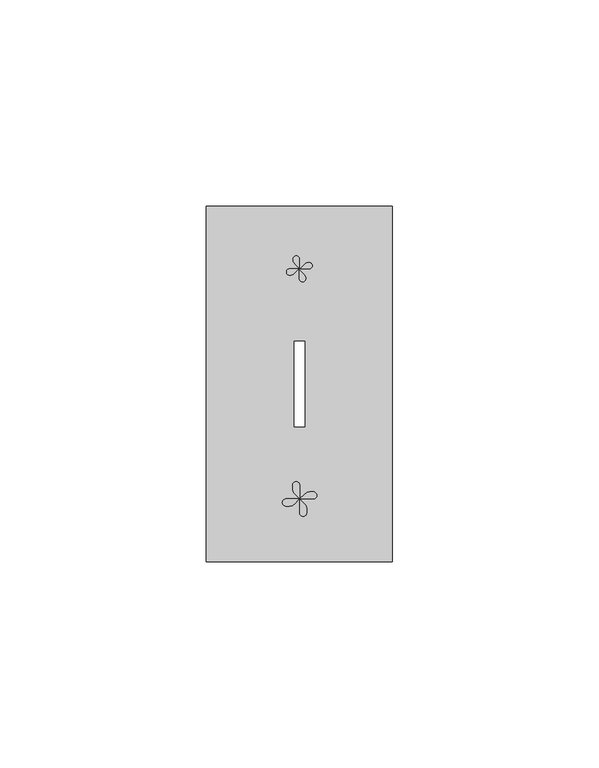
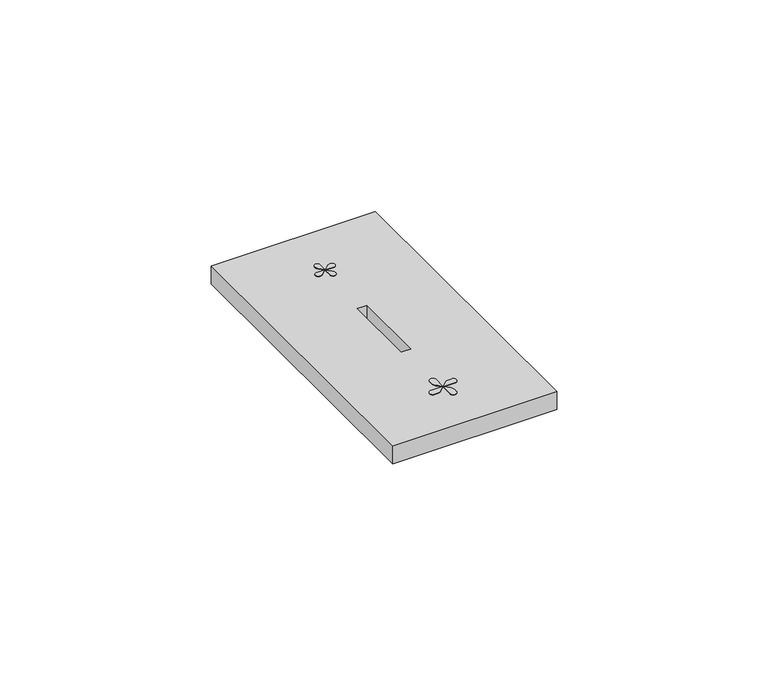
"""IFC4 building model written with IfcOpenShell, lengths in millimetres: proxy geometry."""

from ifc_helpers import new_model, si_unit, point, frame, frame_2d, origin, place, context, project, spatial, polyline, circle_curve, trimmed, segment, composite_curve, outline, extrude, source, transform, mapped, element, save


def electrical_fixtures_4481f749(model_context):
    return source(origin(), model_context, "Body", "SweptSolid", [
        extrude(outline(composite_curve([segment(polyline([(22.6720036, 70.8985661), (23.7726957, 71.9992582)]), True, "CONTINUOUS"), segment(trimmed(circle_curve(frame_2d((24.8414998, 70.9304542)), 1.5115172), [point((23.7726957, 71.9992582))], [point((24.8414998, 72.4419714))], False, "CARTESIAN"), True, "CONTINUOUS"), segment(trimmed(circle_curve(frame_2d((24.8414998, 71.6702687)), 0.7717026), [point((24.8414998, 72.4419714))], [point((24.8414998, 70.8985661))], False, "CARTESIAN"), True, "CONTINUOUS"), segment(polyline([(24.8414998, 70.8985661), (22.6720036, 70.8985661)]), True, "CONTINUOUS")], self_intersect=False)), frame((0.0, 0.0, 10.7), z_axis=(0.0, 0.0, 1.0), x_axis=(1.0, 0.0, 0.0)), (0.0, 0.0, 1.0), 0.1652311),
        extrude(outline(composite_curve([segment(polyline([(22.5, 70.7265625), (23.6006921, 69.6258704)]), True, "CONTINUOUS"), segment(trimmed(circle_curve(frame_2d((22.5318881, 68.5570663)), 1.5115172), [point((23.6006921, 69.6258704))], [point((24.0434053, 68.5570663))], False, "CARTESIAN"), True, "CONTINUOUS"), segment(trimmed(circle_curve(frame_2d((23.2717026, 68.5570663)), 0.7717026), [point((24.0434053, 68.5570663))], [point((22.5, 68.5570663))], False, "CARTESIAN"), True, "CONTINUOUS"), segment(polyline([(22.5, 68.5570663), (22.5, 70.7265625)]), True, "CONTINUOUS")], self_intersect=False)), frame((0.0, 0.0, 10.7), z_axis=(0.0, 0.0, 1.0), x_axis=(1.0, 0.0, 0.0)), (0.0, 0.0, 1.0), 0.1652311),
        extrude(outline(composite_curve([segment(polyline([(22.3279964, 70.8985661), (21.2273043, 69.797874)]), True, "CONTINUOUS"), segment(trimmed(circle_curve(frame_2d((20.1585002, 70.866678)), 1.5115172), [point((21.2273043, 69.797874))], [point((20.1585002, 69.3551608))], False, "CARTESIAN"), True, "CONTINUOUS"), segment(trimmed(circle_curve(frame_2d((20.1585002, 70.1268635)), 0.7717026), [point((20.1585002, 69.3551608))], [point((20.1585002, 70.8985661))], False, "CARTESIAN"), True, "CONTINUOUS"), segment(polyline([(20.1585002, 70.8985661), (22.3279964, 70.8985661)]), True, "CONTINUOUS")], self_intersect=False)), frame((0.0, 0.0, 10.7), z_axis=(0.0, 0.0, 1.0), x_axis=(1.0, 0.0, 0.0)), (0.0, 0.0, 1.0), 0.1652311),
        extrude(outline(composite_curve([segment(polyline([(22.5, 71.0705697), (21.3993079, 72.1712618)]), True, "CONTINUOUS"), segment(trimmed(circle_curve(frame_2d((22.4681119, 73.2400659)), 1.5115172), [point((21.3993079, 72.1712618))], [point((20.9565947, 73.2400659))], False, "CARTESIAN"), True, "CONTINUOUS"), segment(trimmed(circle_curve(frame_2d((21.7282974, 73.2400659)), 0.7717026), [point((20.9565947, 73.2400659))], [point((22.5, 73.2400659))], False, "CARTESIAN"), True, "CONTINUOUS"), segment(polyline([(22.5, 73.2400659), (22.5, 71.0705697)]), True, "CONTINUOUS")], self_intersect=False)), frame((0.0, 0.0, 10.7), z_axis=(0.0, 0.0, 1.0), x_axis=(1.0, 0.0, 0.0)), (0.0, 0.0, 1.0), 0.1652311),
        extrude(outline(composite_curve([segment(polyline([(22.5, 15.1493198), (21.2777539, 13.9270737)]), True, "CONTINUOUS"), segment(trimmed(circle_curve(frame_2d((20.0909175, 15.1139101)), 1.6784402), [point((21.2777539, 13.9270737))], [point((20.0909175, 13.4354699))], False, "CARTESIAN"), True, "CONTINUOUS"), segment(polyline([(20.0909175, 13.4354699), (19.2629531, 13.4354699)]), True, "CONTINUOUS"), segment(trimmed(circle_curve(frame_2d((19.2629531, 14.2923948)), 0.8569249), [point((19.2629531, 13.4354699))], [point((19.2629531, 15.1493198))], False, "CARTESIAN"), True, "CONTINUOUS"), segment(polyline([(19.2629531, 15.1493198), (22.5, 15.1493198)]), True, "CONTINUOUS")], self_intersect=False)), frame((0.0, 0.0, 10.7), z_axis=(0.0, 0.0, 1.0), x_axis=(1.0, 0.0, 0.0)), (0.0, 0.0, 1.0), 0.1652311),
        extrude(outline(composite_curve([segment(polyline([(22.578125, 15.2274448), (21.3558789, 16.4496908)]), True, "CONTINUOUS"), segment(trimmed(circle_curve(frame_2d((22.5427154, 17.6365273)), 1.6784402), [point((21.3558789, 16.4496908))], [point((20.8642752, 17.6365273))], False, "CARTESIAN"), True, "CONTINUOUS"), segment(polyline([(20.8642752, 17.6365273), (20.8642752, 18.4644916)]), True, "CONTINUOUS"), segment(trimmed(circle_curve(frame_2d((21.7212001, 18.4644916)), 0.8569249), [point((20.8642752, 18.4644916))], [point((22.578125, 18.4644916))], False, "CARTESIAN"), True, "CONTINUOUS"), segment(polyline([(22.578125, 18.4644916), (22.578125, 15.2274448)]), True, "CONTINUOUS")], self_intersect=False)), frame((0.0, 0.0, 10.7), z_axis=(0.0, 0.0, 1.0), x_axis=(1.0, 0.0, 0.0)), (0.0, 0.0, 1.0), 0.1652311),
        extrude(outline(composite_curve([segment(polyline([(22.65625, 15.1493198), (23.8784961, 16.3715658)]), True, "CONTINUOUS"), segment(trimmed(circle_curve(frame_2d((25.0653325, 15.1847294)), 1.6784402), [point((23.8784961, 16.3715658))], [point((25.0653325, 16.8631696))], False, "CARTESIAN"), True, "CONTINUOUS"), segment(polyline([(25.0653325, 16.8631696), (25.8932969, 16.8631696)]), True, "CONTINUOUS"), segment(trimmed(circle_curve(frame_2d((25.8932969, 16.0062447)), 0.8569249), [point((25.8932969, 16.8631696))], [point((25.8932969, 15.1493198))], False, "CARTESIAN"), True, "CONTINUOUS"), segment(polyline([(25.8932969, 15.1493198), (22.65625, 15.1493198)]), True, "CONTINUOUS")], self_intersect=False)), frame((0.0, 0.0, 10.7), z_axis=(0.0, 0.0, 1.0), x_axis=(1.0, 0.0, 0.0)), (0.0, 0.0, 1.0), 0.1652311),
        extrude(outline(composite_curve([segment(polyline([(22.578125, 15.0711948), (23.8003711, 13.8489487)]), True, "CONTINUOUS"), segment(trimmed(circle_curve(frame_2d((22.6135346, 12.6621122)), 1.6784402), [point((23.8003711, 13.8489487))], [point((24.2919748, 12.6621122))], False, "CARTESIAN"), True, "CONTINUOUS"), segment(polyline([(24.2919748, 12.6621122), (24.2919748, 11.8341479)]), True, "CONTINUOUS"), segment(trimmed(circle_curve(frame_2d((23.4350499, 11.8341479)), 0.8569249), [point((24.2919748, 11.8341479))], [point((22.578125, 11.8341479))], False, "CARTESIAN"), True, "CONTINUOUS"), segment(polyline([(22.578125, 11.8341479), (22.578125, 15.0711948)]), True, "CONTINUOUS")], self_intersect=False)), frame((0.0, 0.0, 10.7), z_axis=(0.0, 0.0, 1.0), x_axis=(1.0, 0.0, 0.0)), (0.0, 0.0, 1.0), 0.1652311),
        extrude(outline(polyline([(0.0, 0.0), (0.0, 86.0), (45.0, 86.0), (45.0, 0.0), (0.0, 0.0)]), holes=[polyline([(21.25, 53.4), (21.25, 32.6), (23.75, 32.6), (23.75, 53.4), (21.25, 53.4)])]), frame((0.0, 0.0, 5.5), z_axis=(0.0, 0.0, 1.0), x_axis=(1.0, 0.0, 0.0)), (0.0, 0.0, 1.0), 5.2),
    ])


if __name__ == "__main__":
    model = new_model("IFC4")
    model_context = context("Model", 3, world=origin())
    ifc_project = project(units=[si_unit("LENGTHUNIT", "METRE", prefix="MILLI")], contexts=[model_context])
    site = spatial("IfcSite", under=ifc_project)
    building = spatial("IfcBuilding", under=site)
    placement = place(None, origin())
    electrical_fixtures_shape = electrical_fixtures_4481f749(model_context)
    element("IfcBuildingElementProxy", 1, Name="Electrical Fixtures", at=placement, inside=building, context=model_context, shape_type="MappedRepresentation", body=[
        mapped(electrical_fixtures_shape, transform((0.0, 0.0, 0.0), x_axis=(1.0, 0.0, 0.0), y_axis=(0.0, 1.0, 0.0), z_axis=(0.0, 0.0, 1.0))),
    ])
    save(model, "model.ifc")
